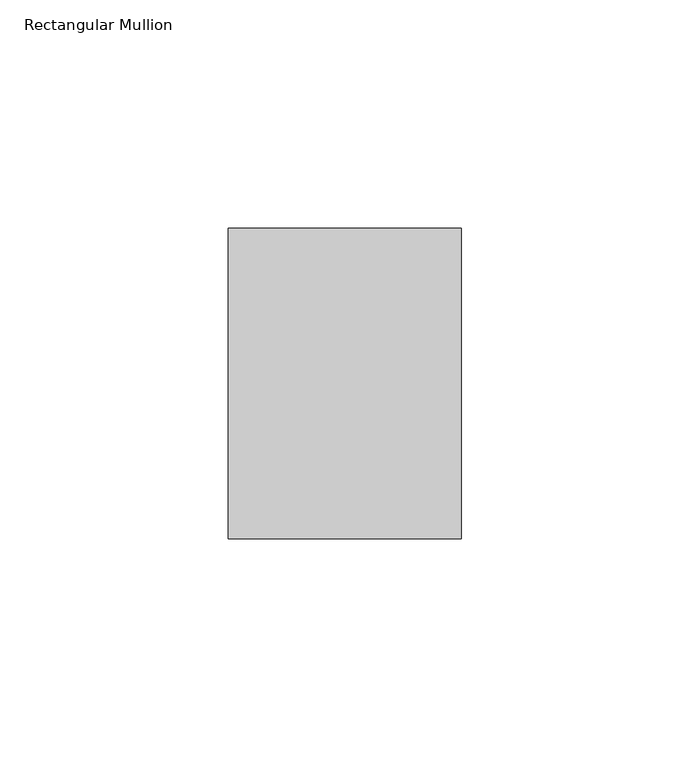
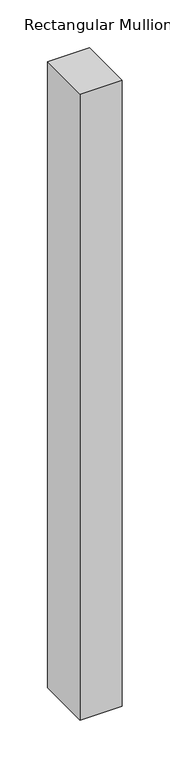
"""IFC4 building model written with IfcOpenShell, lengths in millimetres: member geometry, Rectangular Mullion."""

from ifc_helpers import new_model, si_unit, frame, origin, place, context, project, spatial, polyline, outline, extrude, source, transform, mapped, element, save


def rectangular_mullion_3279bb3d(model_context):
    return source(origin(), model_context, "Body", "SweptSolid", [
        extrude(outline(polyline([(0.0, 68.0), (0.0, 0.0), (-51.0, 0.0), (-51.0, 68.0), (0.0, 68.0)])), frame((0.0, 0.0, -800.0), z_axis=(0.0, 0.0, 1.0), x_axis=(1.0, 0.0, 0.0)), (0.0, 0.0, 1.0), 800.0),
    ])


if __name__ == "__main__":
    model = new_model("IFC4")
    model_context = context("Model", 3, world=origin())
    ifc_project = project(units=[si_unit("LENGTHUNIT", "METRE", prefix="MILLI")], contexts=[model_context])
    site = spatial("IfcSite", under=ifc_project)
    building = spatial("IfcBuilding", under=site)
    placement = place(None, origin())
    rectangular_mullion_shape = rectangular_mullion_3279bb3d(model_context)
    element("IfcMember", 1, ObjectType="Rectangular Mullion", at=placement, inside=building, context=model_context, shape_type="MappedRepresentation", body=[
        mapped(rectangular_mullion_shape, transform((0.0, 0.0, 0.0), x_axis=(1.0, 0.0, 0.0), y_axis=(0.0, 1.0, 0.0), z_axis=(0.0, 0.0, 1.0))),
    ])
    save(model, "model.ifc")
